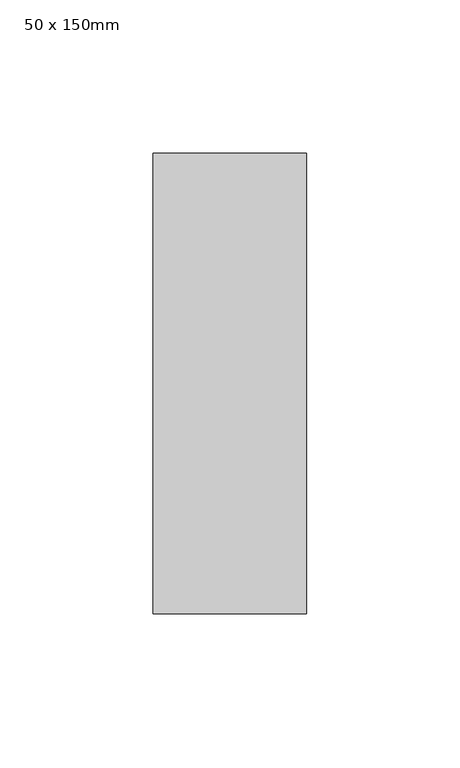
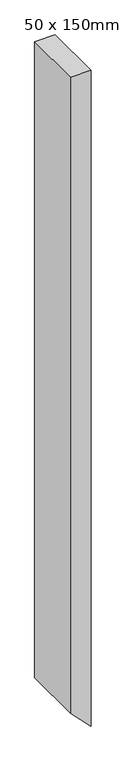
"""IFC4 building model written with IfcOpenShell, lengths in millimetres: member geometry, 50 x 150mm."""

from ifc_helpers import new_model, si_unit, frame, origin, place, context, project, spatial, polyline, outline, extrude, source, transform, mapped, element, save


def member_50_x_150mm_800f4cc6(model_context):
    return source(origin(), model_context, "Body", "SweptSolid", [
        extrude(outline(polyline([(0.0, 0.0), (0.0, -50.0), (-1634.0502166, -50.0), (-1685.0233733, 0.0), (0.0, 0.0)])), frame((0.0, -75.0, 0.0), z_axis=(0.0, 1.0, 0.0), x_axis=(0.0, 0.0, 1.0)), (0.0, 0.0, 1.0), 150.0),
    ])


if __name__ == "__main__":
    model = new_model("IFC4")
    model_context = context("Model", 3, world=origin())
    ifc_project = project(units=[si_unit("LENGTHUNIT", "METRE", prefix="MILLI")], contexts=[model_context])
    site = spatial("IfcSite", under=ifc_project)
    building = spatial("IfcBuilding", under=site)
    placement = place(None, origin())
    member_50_x_150mm_shape = member_50_x_150mm_800f4cc6(model_context)
    element("IfcMember", 1, ObjectType="50 x 150mm", at=placement, inside=building, context=model_context, shape_type="MappedRepresentation", body=[
        mapped(member_50_x_150mm_shape, transform((0.0, 0.0, 0.0), x_axis=(1.0, 0.0, 0.0), y_axis=(0.0, 1.0, 0.0), z_axis=(0.0, 0.0, 1.0))),
    ])
    save(model, "model.ifc")
